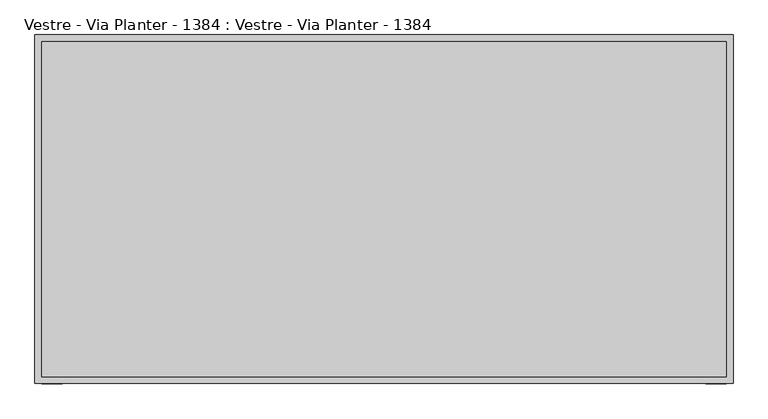
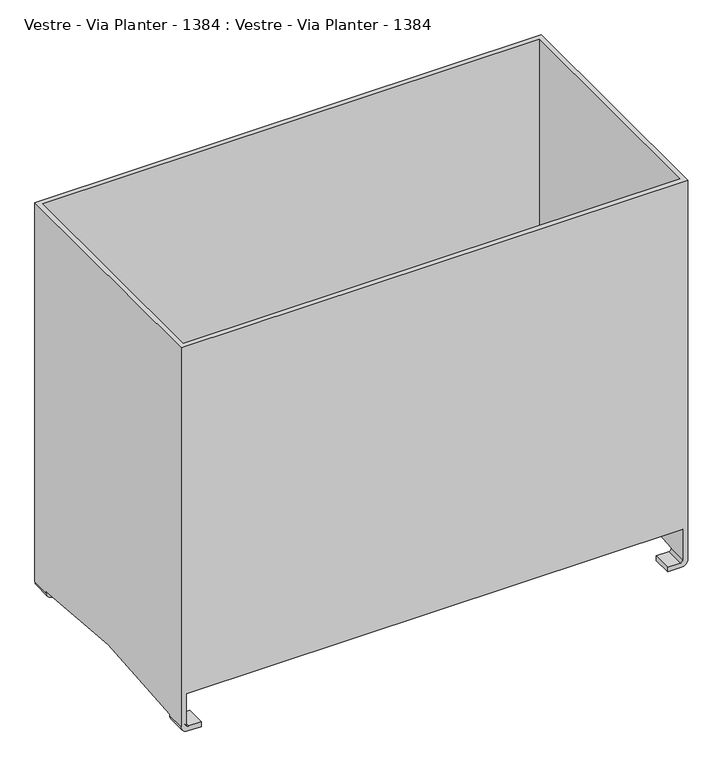
"""IFC4 building model written with IfcOpenShell, lengths in millimetres: furniture geometry, Vestre - Via Planter - 1384 : Vestre - Via Planter - 1384."""

import ifcopenshell
import ifcopenshell.guid

model = None  # the IFC model being written
_history = None  # IfcOwnerHistory: only IFC2X3 demands one
_inside = {}  # id of a spatial element -> (the spatial element, [elements in it])
_under = {}  # id of a project, library or spatial element -> (it, [spatial elements below it])
_declared = {}  # id of a project -> (the project, [libraries it declares])
_typed = {}  # id of a type object -> (the type object, [elements of that type])
_made_of = {}  # id of a material, layer set ... -> (it, [elements and type objects made of it])


def new_model(schema):
    """Start an empty IFC model of exactly this schema.

    Asked for "IFC4X3", IfcOpenShell would pick the latest addendum, in which some entities
    have other attributes; the version numbers below select the first issue.
    IFC2X3 requires an IfcOwnerHistory on every rooted entity: one is made here for all.
    """
    global model, _history
    if schema == "IFC4X3":
        model = ifcopenshell.file(schema_version=(4, 3, 0, 0))
    else:
        model = ifcopenshell.file(schema=schema)
    _inside.clear()
    _under.clear()
    _declared.clear()
    _typed.clear()
    _made_of.clear()
    _history = None
    if model.schema == "IFC2X3":
        org = make("IfcOrganization", Name="unknown")
        user = make(
            "IfcPersonAndOrganization",
            ThePerson=make("IfcPerson", FamilyName="unknown"),
            TheOrganization=org,
        )
        app = make(
            "IfcApplication",
            ApplicationDeveloper=org,
            Version="unknown",
            ApplicationFullName="unknown",
            ApplicationIdentifier="unknown",
        )
        _history = make(
            "IfcOwnerHistory",
            OwningUser=user,
            OwningApplication=app,
            ChangeAction="ADDED",
            CreationDate=0,
        )
    return model


def make(cls, **values):
    """One entity of the class cls with the attributes given. An attribute that is None is left unset."""
    return model.create_entity(
        cls, **{name: value for name, value in values.items() if value is not None}
    )


def rooted(cls, **values):
    """An entity with a GlobalId (a new one), such as an element, a storey or a relation."""
    return make(cls, GlobalId=ifcopenshell.guid.new(), OwnerHistory=_history, **values)


def si_unit(unit_type, name, prefix=None):
    """IfcSIUnit, for example si_unit("LENGTHUNIT", "METRE", prefix="MILLI")."""
    return make("IfcSIUnit", UnitType=unit_type, Prefix=prefix, Name=name)


def assignment(units):
    """IfcUnitAssignment: the units of a project."""
    return None if units is None else make("IfcUnitAssignment", Units=units)


def point(xyz):
    """IfcCartesianPoint."""
    return None if xyz is None else make("IfcCartesianPoint", Coordinates=xyz)


def direction(xyz):
    """IfcDirection."""
    return None if xyz is None else make("IfcDirection", DirectionRatios=xyz)


def frame(location, z_axis=None, x_axis=None):
    """IfcAxis2Placement3D, a coordinate frame: its origin and axes. An axis left out is left unset."""
    return make(
        "IfcAxis2Placement3D",
        Location=point(location),
        Axis=direction(z_axis),
        RefDirection=direction(x_axis),
    )


def origin():
    """The frame at (0, 0, 0) with its axes left unset."""
    return frame((0.0, 0.0, 0.0))


def place(relative_to, where):
    """IfcLocalPlacement: puts the frame where relative to a parent placement (None: the world)."""
    return make(
        "IfcLocalPlacement", PlacementRelTo=relative_to, RelativePlacement=where
    )


def context(
    kind, dimensions, precision=None, world=None, true_north=None, identifier=None
):
    """IfcGeometricRepresentationContext, for example the 3D "Model" context."""
    return make(
        "IfcGeometricRepresentationContext",
        ContextIdentifier=identifier,
        ContextType=kind,
        CoordinateSpaceDimension=dimensions,
        Precision=precision,
        WorldCoordinateSystem=world,
        TrueNorth=true_north,
    )


def project(units=None, contexts=None):
    """IfcProject with its units and contexts."""
    return rooted(
        "IfcProject",
        Name="project",
        RepresentationContexts=contexts,
        UnitsInContext=assignment(units),
    )


def spatial(cls, under=None, at=None, **own):
    """A site, building, storey or space (cls), placed at a placement, below another one or the project."""
    s = rooted(cls, ObjectPlacement=at, **own)
    if under is not None:
        _under.setdefault(under.id(), (under, []))[1].append(s)
    return s


def polyline(points):
    """IfcPolyline through the points."""
    return make("IfcPolyline", Points=[point(p) for p in points])


def circle_curve(where, radius):
    """IfcCircle in the frame where."""
    return make("IfcCircle", Position=where, Radius=radius)


def shape(context_of_items, identifier, shape_type, items):
    """IfcShapeRepresentation: the items that make up one representation, for example the "Body"."""
    return make(
        "IfcShapeRepresentation",
        ContextOfItems=context_of_items,
        RepresentationIdentifier=identifier,
        RepresentationType=shape_type,
        Items=items,
    )


def source(mapping_origin, context_of_items, identifier, shape_type, items):
    """IfcRepresentationMap: a shape defined once, which mapped items show again and again."""
    return make(
        "IfcRepresentationMap",
        MappingOrigin=mapping_origin,
        MappedRepresentation=shape(context_of_items, identifier, shape_type, items),
    )


def transform(
    local_origin,
    x_axis=None,
    y_axis=None,
    z_axis=None,
    scale=None,
    scale2=None,
    scale3=None,
    uniform=True,
):
    """IfcCartesianTransformationOperator3D, or its non-uniform kind. x_axis, y_axis, z_axis: its Axis1, 2, 3."""
    if uniform:
        return make(
            "IfcCartesianTransformationOperator3D",
            Axis1=direction(x_axis),
            Axis2=direction(y_axis),
            LocalOrigin=point(local_origin),
            Scale=scale,
            Axis3=direction(z_axis),
        )
    return make(
        "IfcCartesianTransformationOperator3DnonUniform",
        Axis1=direction(x_axis),
        Axis2=direction(y_axis),
        LocalOrigin=point(local_origin),
        Scale=scale,
        Axis3=direction(z_axis),
        Scale2=scale2,
        Scale3=scale3,
    )


def mapped(mapping_source, mapping_target):
    """IfcMappedItem: shows the shape of a source again, moved by a transform."""
    return make(
        "IfcMappedItem", MappingSource=mapping_source, MappingTarget=mapping_target
    )


def made_of(thing, what):
    """Note that an element or type object is made of a material, layer set ...; save() writes the relation."""
    if what is not None:
        _made_of.setdefault(what.id(), (what, []))[1].append(thing)
    return thing


def element(
    cls,
    number,
    at=None,
    inside=None,
    cuts=None,
    type_object=None,
    material=None,
    context=None,
    identifier="Body",
    shape_type=None,
    held_by="IfcProductDefinitionShape",
    body=None,
    shapes=None,
    **own,
):
    """One element of the class cls, such as IfcWall. Its Tag is "e" and its number.

    at: its placement. inside: the storey or other place that contains it. cuts: it is an
    opening in that element (IfcRelVoidsElement). A single representation is given by context,
    identifier, shape_type and body (its items); several are given by shapes. held_by: the class
    of the entity that holds the representations. save() writes the other relations.
    """
    e = rooted(cls, Tag="e%d" % number, ObjectPlacement=at, **own)
    if body is not None:
        shapes = [shape(context, identifier, shape_type, body)]
    if shapes is not None:
        e.Representation = make(held_by, Representations=shapes)
    if inside is not None:
        _inside.setdefault(inside.id(), (inside, []))[1].append(e)
    if cuts is not None:
        rooted(
            "IfcRelVoidsElement", RelatingBuildingElement=cuts, RelatedOpeningElement=e
        )
    if type_object is not None:
        _typed.setdefault(type_object.id(), (type_object, []))[1].append(e)
    return made_of(e, material)


def aggregate(whole, parts):
    """IfcRelAggregates: a whole, such as a stair, and the parts it consists of."""
    return rooted("IfcRelAggregates", RelatingObject=whole, RelatedObjects=parts)


def save(model, path):
    """Write the relations noted so far, then the file.

    IfcRelAggregates (storeys below a building ...), IfcRelContainedInSpatialStructure (elements
    in a storey), IfcRelDefinesByType, IfcRelAssociatesMaterial and IfcRelDeclares: one each for
    every whole, place, type object, material and project.
    """
    for whole, parts in _under.values():
        aggregate(whole, parts)
    for where, things in _inside.values():
        rooted(
            "IfcRelContainedInSpatialStructure",
            RelatedElements=things,
            RelatingStructure=where,
        )
    for kind, things in _typed.values():
        rooted("IfcRelDefinesByType", RelatedObjects=things, RelatingType=kind)
    for what, things in _made_of.values():
        rooted("IfcRelAssociatesMaterial", RelatedObjects=things, RelatingMaterial=what)
    for by, libraries in _declared.values():
        rooted("IfcRelDeclares", RelatingContext=by, RelatedDefinitions=libraries)
    model.write(path)


def plane_surface(at):
    """IfcPlane: the flat surface through the origin of the frame at, square to its z axis."""
    return make("IfcPlane", Position=at)


def cylinder_surface(at, radius):
    """IfcCylindricalSurface: all points at the distance radius from the z axis of the frame at."""
    return make("IfcCylindricalSurface", Position=at, Radius=radius)


def revolved_surface(curve, axis_point, axis_direction):
    """IfcSurfaceOfRevolution: the curve turned about the line through axis_point along axis_direction."""
    return make(
        "IfcSurfaceOfRevolution",
        SweptCurve=make("IfcArbitraryOpenProfileDef", ProfileType="CURVE", Curve=curve),
        AxisPosition=make("IfcAxis1Placement", Location=point(axis_point), Axis=direction(axis_direction)),
    )


def advanced_brep(points, edges, surfaces, faces):
    """IfcAdvancedBrep: a solid bounded by faces that lie on surfaces and meet in shared edges.

    An edge is (start, end): straight between two places in points (the first is 0);
    or (start, end, curve); or (start, end, curve, False) where it runs against its curve.
    A face is (place in surfaces, loops), or (place, loops, False) where it looks against
    its surface's normal. A loop lists edges by number (the first is 1), with a minus sign
    where the edge is run from its end to its start. The first loop is the outer one.
    """
    corners = [point(p) for p in points]
    vertices = [make("IfcVertexPoint", VertexGeometry=c) for c in corners]
    made = []
    for start, end, *more in edges:
        made.append(
            make(
                "IfcEdgeCurve",
                EdgeStart=vertices[start],
                EdgeEnd=vertices[end],
                EdgeGeometry=more[0] if more else make("IfcPolyline", Points=[corners[start], corners[end]]),
                SameSense=more[1] if len(more) > 1 else True,
            )
        )
    hull = []
    for where, loops, *sense in faces:
        bounds = []
        for j, loop in enumerate(loops):
            ring = [make("IfcOrientedEdge", EdgeElement=made[abs(k) - 1], Orientation=k > 0) for k in loop]
            bounds.append(
                make(
                    "IfcFaceOuterBound" if j == 0 else "IfcFaceBound",
                    Bound=make("IfcEdgeLoop", EdgeList=ring),
                    Orientation=True,
                )
            )
        hull.append(make("IfcAdvancedFace", Bounds=bounds, FaceSurface=surfaces[where], SameSense=sense[0] if sense else True))
    return make("IfcAdvancedBrep", Outer=make("IfcClosedShell", CfsFaces=hull))


def vestre_via_planter_1384_vestre_via_planter_1384_c4c06e17(model_context):
    return source(origin(), model_context, "Body", "AdvancedBrep", [
        advanced_brep(
        [(510.0, 255.0, 13.0669165), (496.9330835, 255.0, 0.0), (469.9901316, 255.0, 0.0), (469.9901316, 255.0, 9.84), (494.7470471, 255.0, 9.84), (500.16, 255.0, 15.2529529), (500.16, 255.0, 80.0), (-500.16, 255.0, 80.0), (-500.16, 255.0, 15.2529529), (-494.7470471, 255.0, 9.84), (-469.9901316, 255.0, 9.84), (-469.9901316, 255.0, 0.0), (-496.9330835, 255.0, 0.0), (-510.0, 255.0, 13.0669165), (-510.0, 255.0, 820.0), (510.0, 255.0, 820.0), (500.16, 215.0, 16.34), (500.16, 215.0, 15.2529529), (494.7470471, 215.0, 9.84), (469.9901316, 215.0, 9.84), (469.9901316, 215.0, 0.0), (496.9330835, 215.0, 0.0), (510.0, 215.0, 13.0669165), (510.0, 215.0, 16.34), (500.16, -215.0, 16.34), (500.16, -215.0, 15.2529529), (500.16, -255.0, 15.2529529), (500.16, -255.0, 80.0), (500.16, -245.0, 820.0), (500.16, 245.0, 820.0), (500.16, 245.0, 83.0), (500.16, -245.0, 83.0), (510.0, -255.0, 820.0), (510.0, -255.0, 13.0669165), (510.0, -215.0, 13.0669165), (510.0, -215.0, 16.34), (-510.0, -255.0, 820.0), (-500.16, -245.0, 820.0), (-500.16, 245.0, 820.0), (494.7470471, -255.0, 9.84), (469.9901316, -255.0, 9.84), (469.9901316, -255.0, 0.0), (496.9330835, -255.0, 0.0), (-510.0, -255.0, 13.0669165), (-496.9330835, -255.0, 0.0), (-469.9901316, -255.0, 0.0), (-469.9901316, -255.0, 9.84), (-494.7470471, -255.0, 9.84), (-500.16, -255.0, 15.2529529), (-500.16, -255.0, 80.0), (496.9330835, -215.0, 0.0), (469.9901316, -215.0, 0.0), (469.9901316, -215.0, 9.84), (494.7470471, -215.0, 9.84), (-500.16, -245.0, 83.0), (-500.16, 245.0, 83.0), (-500.16, -215.0, 16.34), (-500.16, 215.0, 16.34), (-500.16, 215.0, 15.2529529), (-500.16, -215.0, 15.2529529), (-510.0, 215.0, 16.34), (-510.0, -215.0, 16.34), (-510.0, -215.0, 13.0669165), (-510.0, 215.0, 13.0669165), (-494.7470471, -215.0, 9.84), (-469.9901316, -215.0, 9.84), (-469.9901316, -215.0, 0.0), (-496.9330835, -215.0, 0.0), (-496.9330835, 215.0, 0.0), (-469.9901316, 215.0, 0.0), (-469.9901316, 215.0, 9.84), (-494.7470471, 215.0, 9.84)],
        [
            (0, 1, circle_curve(frame((496.9330835, 255.0, 13.0669165), z_axis=(0.0, 1.0, 0.0), x_axis=(-1.0, 0.0, 0.0)), 13.0669165)),
            (1, 2),
            (2, 3),
            (3, 4),
            (4, 5, circle_curve(frame((494.7470471, 255.0, 15.2529529), z_axis=(0.0, -1.0, 0.0), x_axis=(-1.0, 0.0, 0.0)), 5.4129529)),
            (5, 6),
            (6, 7),
            (7, 8),
            (8, 9, circle_curve(frame((-494.7470471, 255.0, 15.2529529), z_axis=(0.0, -1.0, 0.0), x_axis=(1.0, 0.0, 0.0)), 5.4129529)),
            (9, 10),
            (10, 11),
            (11, 12),
            (12, 13, circle_curve(frame((-496.9330835, 255.0, 13.0669165), z_axis=(0.0, 1.0, 0.0), x_axis=(1.0, 0.0, 0.0)), 13.0669165)),
            (13, 14),
            (14, 15),
            (15, 0),
            (16, 17),
            (17, 18, circle_curve(frame((494.7470471, 215.0, 15.2529529), z_axis=(0.0, 1.0, 0.0), x_axis=(-1.0, 0.0, 0.0)), 5.4129529)),
            (18, 19),
            (19, 20),
            (20, 21),
            (21, 22, circle_curve(frame((496.9330835, 215.0, 13.0669165), z_axis=(0.0, -1.0, 0.0), x_axis=(-1.0, 0.0, 0.0)), 13.0669165)),
            (22, 23),
            (23, 16),
            (1, 21),
            (20, 2),
            (19, 3),
            (18, 4),
            (17, 5),
            (16, 24, circle_curve(frame((500.16, 0.0, -1337.7210854), z_axis=(1.0, 0.0, 0.0), x_axis=(0.0, -1.0, 0.0)), 1371.0238594)),
            (24, 25),
            (25, 26),
            (26, 27),
            (27, 6),
            (28, 29),
            (29, 30),
            (30, 31),
            (31, 28),
            (22, 0),
            (15, 32),
            (32, 33),
            (33, 34),
            (34, 35),
            (35, 23, circle_curve(frame((510.0, 0.0, -1337.7210854), z_axis=(-1.0, 0.0, 0.0), x_axis=(0.0, -1.0, 0.0)), 1371.0238594)),
            (35, 24),
            (36, 32),
            (14, 36),
            (28, 37),
            (37, 38),
            (38, 29),
            (26, 39, circle_curve(frame((494.7470471, -255.0, 15.2529529), z_axis=(0.0, 1.0, 0.0), x_axis=(-1.0, 0.0, 0.0)), 5.4129529)),
            (39, 40),
            (40, 41),
            (41, 42),
            (42, 33, circle_curve(frame((496.9330835, -255.0, 13.0669165), z_axis=(0.0, -1.0, 0.0), x_axis=(-1.0, 0.0, 0.0)), 13.0669165)),
            (36, 43),
            (43, 44, circle_curve(frame((-496.9330835, -255.0, 13.0669165), z_axis=(0.0, -1.0, 0.0), x_axis=(1.0, 0.0, 0.0)), 13.0669165)),
            (44, 45),
            (45, 46),
            (46, 47),
            (47, 48, circle_curve(frame((-494.7470471, -255.0, 15.2529529), z_axis=(0.0, 1.0, 0.0), x_axis=(1.0, 0.0, 0.0)), 5.4129529)),
            (48, 49),
            (49, 27),
            (34, 50, circle_curve(frame((496.9330835, -215.0, 13.0669165), z_axis=(0.0, 1.0, 0.0), x_axis=(-1.0, 0.0, 0.0)), 13.0669165)),
            (50, 51),
            (51, 52),
            (52, 53),
            (53, 25, circle_curve(frame((494.7470471, -215.0, 15.2529529), z_axis=(0.0, -1.0, 0.0), x_axis=(-1.0, 0.0, 0.0)), 5.4129529)),
            (41, 51),
            (50, 42),
            (40, 52),
            (39, 53),
            (37, 54),
            (54, 55),
            (55, 38),
            (56, 57, circle_curve(frame((-500.16, 0.0, -1337.7210854), z_axis=(-1.0, 0.0, 0.0), x_axis=(0.0, -1.0, 0.0)), 1371.0238594)),
            (57, 58),
            (58, 8),
            (7, 49),
            (48, 59),
            (59, 56),
            (60, 61, circle_curve(frame((-510.0, 0.0, -1337.7210854), z_axis=(1.0, 0.0, 0.0), x_axis=(0.0, -1.0, 0.0)), 1371.0238594)),
            (61, 62),
            (62, 43),
            (13, 63),
            (63, 60),
            (56, 61),
            (60, 57),
            (59, 64, circle_curve(frame((-494.7470471, -215.0, 15.2529529), z_axis=(0.0, -1.0, 0.0), x_axis=(1.0, 0.0, 0.0)), 5.4129529)),
            (64, 65),
            (65, 66),
            (66, 67),
            (67, 62, circle_curve(frame((-496.9330835, -215.0, 13.0669165), z_axis=(0.0, 1.0, 0.0), x_axis=(1.0, 0.0, 0.0)), 13.0669165)),
            (44, 67),
            (66, 45),
            (65, 46),
            (64, 47),
            (63, 68, circle_curve(frame((-496.9330835, 215.0, 13.0669165), z_axis=(0.0, -1.0, 0.0), x_axis=(1.0, 0.0, 0.0)), 13.0669165)),
            (68, 69),
            (69, 70),
            (70, 71),
            (71, 58, circle_curve(frame((-494.7470471, 215.0, 15.2529529), z_axis=(0.0, 1.0, 0.0), x_axis=(1.0, 0.0, 0.0)), 5.4129529)),
            (11, 69),
            (68, 12),
            (10, 70),
            (9, 71),
            (31, 54),
            (55, 30),
        ],
        [
            plane_surface(frame((510.0, 255.0, 16.34), z_axis=(0.0, 1.0, 0.0), x_axis=(1.0, 0.0, 0.0))),
            plane_surface(frame((510.0, 215.0, 16.34), z_axis=(0.0, -1.0, 0.0), x_axis=(-1.0, 0.0, 0.0))),
            plane_surface(frame((496.9330835, 255.0, 0.0), z_axis=(0.0, 0.0, -1.0), x_axis=(0.0, -1.0, 0.0))),
            plane_surface(frame((469.9901316, 255.0, 0.0), z_axis=(-1.0, 0.0, 0.0), x_axis=(0.0, -1.0, 0.0))),
            plane_surface(frame((469.9901316, 255.0, 9.84), z_axis=(0.0, 0.0, 1.0), x_axis=(0.0, -1.0, 0.0))),
            revolved_surface(polyline([(489.3340942, 215.0, 15.2529529), (489.3340942, 255.0, 15.2529529)]), (494.7470471, 215.0, 15.2529529), (0.0, -1.0, 0.0)),
            plane_surface(frame((500.16, 255.0, 15.2529529), z_axis=(-1.0, 0.0, 0.0), x_axis=(0.0, -1.0, 0.0))),
            plane_surface(frame((510.0, 255.0, 16.34), z_axis=(1.0, 0.0, 0.0), x_axis=(0.0, -1.0, 0.0))),
            cylinder_surface(frame((496.9330835, 215.0, 13.0669165), z_axis=(0.0, 1.0, 0.0), x_axis=(-1.0, 0.0, 0.0)), 13.0669165),
            revolved_surface(polyline([(510.0, -1371.0238594, -1337.7210854), (500.16, -1371.0238594, -1337.7210854)]), (510.0, 0.0, -1337.7210854), (1.0, 0.0, 0.0)),
            plane_surface(frame((500.16, -245.0, 820.0), z_axis=(0.0, 0.0, 1.0), x_axis=(1.0, 0.0, 0.0))),
            plane_surface(frame((500.16, -255.0, 16.34), z_axis=(0.0, -1.0, 0.0), x_axis=(1.0, 0.0, 0.0))),
            plane_surface(frame((500.16, -215.0, 16.34), z_axis=(0.0, 1.0, 0.0), x_axis=(0.0, 0.0, 1.0))),
            plane_surface(frame((469.9901316, -255.0, 0.0), z_axis=(0.0, 0.0, -1.0), x_axis=(0.0, 1.0, 0.0))),
            plane_surface(frame((469.9901316, -255.0, 9.84), z_axis=(-1.0, 0.0, 0.0), x_axis=(0.0, 1.0, 0.0))),
            plane_surface(frame((494.7470471, -255.0, 9.84), z_axis=(0.0, 0.0, 1.0), x_axis=(0.0, 1.0, 0.0))),
            revolved_surface(polyline([(489.3340942, -215.0, 15.2529529), (489.3340942, -255.0, 15.2529529)]), (494.7470471, -215.0, 15.2529529), (0.0, 1.0, 0.0)),
            cylinder_surface(frame((496.9330835, -215.0, 13.0669165), z_axis=(0.0, -1.0, 0.0), x_axis=(-1.0, 0.0, 0.0)), 13.0669165),
            plane_surface(frame((-500.16, -215.0031249, 16.34), z_axis=(1.0, 0.0, 0.0), x_axis=(0.0, 1.0, 0.0))),
            plane_surface(frame((-510.0, -215.0031249, 16.34), z_axis=(-1.0, 0.0, 0.0), x_axis=(0.0, -1.0, 0.0))),
            revolved_surface(polyline([(-510.0, -1371.0238594, -1337.7210854), (-500.16, -1371.0238594, -1337.7210854)]), (-510.0, 0.0, -1337.7210854), (-1.0, 0.0, 0.0)),
            plane_surface(frame((-510.0, -215.0, 16.34), z_axis=(0.0, 1.0, 0.0), x_axis=(1.0, 0.0, 0.0))),
            plane_surface(frame((-496.9330835, -255.0, 0.0), z_axis=(0.0, 0.0, -1.0), x_axis=(0.0, 1.0, 0.0))),
            plane_surface(frame((-469.9901316, -255.0, 0.0), z_axis=(1.0, 0.0, 0.0), x_axis=(0.0, 1.0, 0.0))),
            plane_surface(frame((-469.9901316, -255.0, 9.84), z_axis=(0.0, 0.0, 1.0), x_axis=(0.0, 1.0, 0.0))),
            revolved_surface(polyline([(-489.3340942, -215.0, 15.2529529), (-489.3340942, -255.0, 15.2529529)]), (-494.7470471, -215.0, 15.2529529), (0.0, 1.0, 0.0)),
            cylinder_surface(frame((-496.9330835, -215.0, 13.0669165), z_axis=(0.0, -1.0, 0.0), x_axis=(1.0, 0.0, 0.0)), 13.0669165),
            plane_surface(frame((-500.16, 215.0, 16.34), z_axis=(0.0, -1.0, 0.0), x_axis=(0.0, 0.0, 1.0))),
            plane_surface(frame((-469.9901316, 255.0, 0.0), z_axis=(0.0, 0.0, -1.0), x_axis=(0.0, -1.0, 0.0))),
            plane_surface(frame((-469.9901316, 255.0, 9.84), z_axis=(1.0, 0.0, 0.0), x_axis=(0.0, -1.0, 0.0))),
            plane_surface(frame((-494.7470471, 255.0, 9.84), z_axis=(0.0, 0.0, 1.0), x_axis=(0.0, -1.0, 0.0))),
            revolved_surface(polyline([(-489.3340942, 215.0, 15.2529529), (-489.3340942, 255.0, 15.2529529)]), (-494.7470471, 215.0, 15.2529529), (0.0, -1.0, 0.0)),
            cylinder_surface(frame((-496.9330835, 215.0, 13.0669165), z_axis=(0.0, 1.0, 0.0), x_axis=(1.0, 0.0, 0.0)), 13.0669165),
            plane_surface(frame((-510.0, -245.0, 450.0), z_axis=(0.0, 1.0, 0.0), x_axis=(0.0, 0.0, 1.0))),
            plane_surface(frame((-510.0, -255.0, 80.0), z_axis=(0.0, 0.0, -1.0), x_axis=(0.0, 1.0, 0.0))),
            plane_surface(frame((510.0, 245.0, 820.0), z_axis=(0.0, -1.0, 0.0), x_axis=(-1.0, 0.0, 0.0))),
            plane_surface(frame((-500.16, 245.0, 83.0), z_axis=(0.0, 0.0, 1.0), x_axis=(-1.0, 0.0, 0.0))),
        ],
        [
            (0, [[1, 2, 3, 4, 5, 6, 7, 8, 9, 10, 11, 12, 13, 14, 15, 16]]),
            (1, [[17, 18, 19, 20, 21, 22, 23, 24]]),
            (2, [[-2, 25, -21, 26]]),
            (3, [[-3, -26, -20, 27]]),
            (4, [[-4, -27, -19, 28]]),
            (5, [[-5, -28, -18, 29]]),
            (6, [[-17, 30, 31, 32, 33, 34, -6, -29]]),
            (6, [[35, 36, 37, 38]]),
            (7, [[-23, 39, -16, 40, 41, 42, 43, 44]]),
            (8, [[-1, -39, -22, -25]]),
            (9, [[-30, -24, -44, 45]]),
            (10, [[46, -40, -15, 47], [-35, 48, 49, 50]]),
            (11, [[51, 52, 53, 54, 55, -41, -46, 56, 57, 58, 59, 60, 61, 62, 63, -33]]),
            (12, [[-43, 64, 65, 66, 67, 68, -31, -45]]),
            (13, [[-54, 69, -65, 70]]),
            (14, [[-53, 71, -66, -69]]),
            (15, [[-52, 72, -67, -71]]),
            (16, [[-51, -32, -68, -72]]),
            (17, [[-55, -70, -64, -42]]),
            (18, [[-49, 73, 74, 75]]),
            (18, [[76, 77, 78, -8, 79, -62, 80, 81]]),
            (19, [[82, 83, 84, -56, -47, -14, 85, 86]]),
            (20, [[-76, 87, -82, 88]]),
            (21, [[-81, 89, 90, 91, 92, 93, -83, -87]]),
            (22, [[-58, 94, -92, 95]]),
            (23, [[-59, -95, -91, 96]]),
            (24, [[-60, -96, -90, 97]]),
            (25, [[-61, -97, -89, -80]]),
            (26, [[-57, -84, -93, -94]]),
            (27, [[-86, 98, 99, 100, 101, 102, -77, -88]]),
            (28, [[-12, 103, -99, 104]]),
            (29, [[-11, 105, -100, -103]]),
            (30, [[-10, 106, -101, -105]]),
            (31, [[-9, -78, -102, -106]]),
            (32, [[-13, -104, -98, -85]]),
            (33, [[-48, -38, 107, -73]]),
            (34, [[-63, -79, -7, -34]]),
            (35, [[-50, -75, 108, -36]]),
            (36, [[-37, -108, -74, -107]]),
        ],
    ),
    ])


if __name__ == "__main__":
    model = new_model("IFC4")
    model_context = context("Model", 3, world=origin())
    ifc_project = project(units=[si_unit("LENGTHUNIT", "METRE", prefix="MILLI")], contexts=[model_context])
    site = spatial("IfcSite", under=ifc_project)
    building = spatial("IfcBuilding", under=site)
    placement = place(None, origin())
    vestre_via_planter_1384_vestre_via_planter_1384_shape = vestre_via_planter_1384_vestre_via_planter_1384_c4c06e17(model_context)
    element("IfcFurniture", 1, ObjectType="Vestre - Via Planter - 1384 : Vestre - Via Planter - 1384", at=placement, inside=building, context=model_context, shape_type="MappedRepresentation", body=[
        mapped(vestre_via_planter_1384_vestre_via_planter_1384_shape, transform((0.0, 0.0, 0.0), x_axis=(1.0, 0.0, 0.0), y_axis=(0.0, 1.0, 0.0), z_axis=(0.0, 0.0, 1.0))),
    ])
    save(model, "model.ifc")
